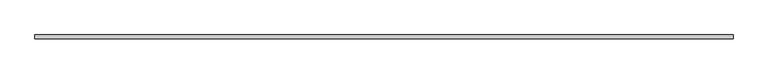
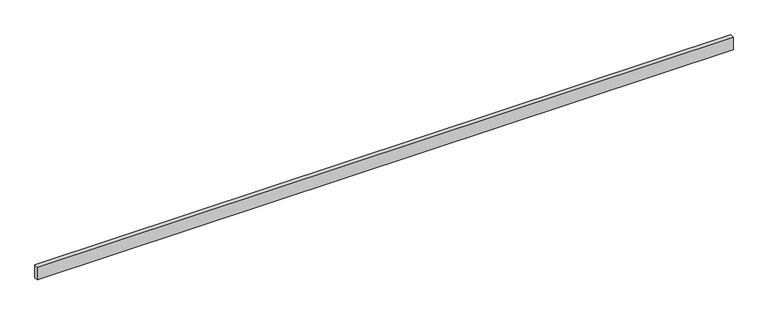
"""IFC4 building model written with IfcOpenShell, lengths in millimetres: beam geometry."""

from ifc_helpers import new_model, si_unit, frame, origin, place, context, project, spatial, polyline, outline, extrude, source, transform, mapped, element, save


def beam_6712a049(model_context):
    return source(origin(), model_context, "Body", "SweptSolid", [
        extrude(outline(polyline([(3581.4, -19.05), (-3581.4, -19.05), (-3581.4, 19.05), (3581.4, 19.05), (3581.4, -19.05)])), frame((0.0, 0.0, -69.85), z_axis=(0.0, 0.0, 1.0), x_axis=(1.0, 0.0, 0.0)), (0.0, 0.0, 1.0), 139.7),
    ])


if __name__ == "__main__":
    model = new_model("IFC4")
    model_context = context("Model", 3, world=origin())
    ifc_project = project(units=[si_unit("LENGTHUNIT", "METRE", prefix="MILLI")], contexts=[model_context])
    site = spatial("IfcSite", under=ifc_project)
    building = spatial("IfcBuilding", under=site)
    placement = place(None, origin())
    beam_shape = beam_6712a049(model_context)
    element("IfcBeam", 1, at=placement, inside=building, context=model_context, shape_type="MappedRepresentation", body=[
        mapped(beam_shape, transform((0.0, 0.0, 0.0), x_axis=(1.0, 0.0, 0.0), y_axis=(0.0, 1.0, 0.0), z_axis=(0.0, 0.0, 1.0))),
    ])
    save(model, "model.ifc")
